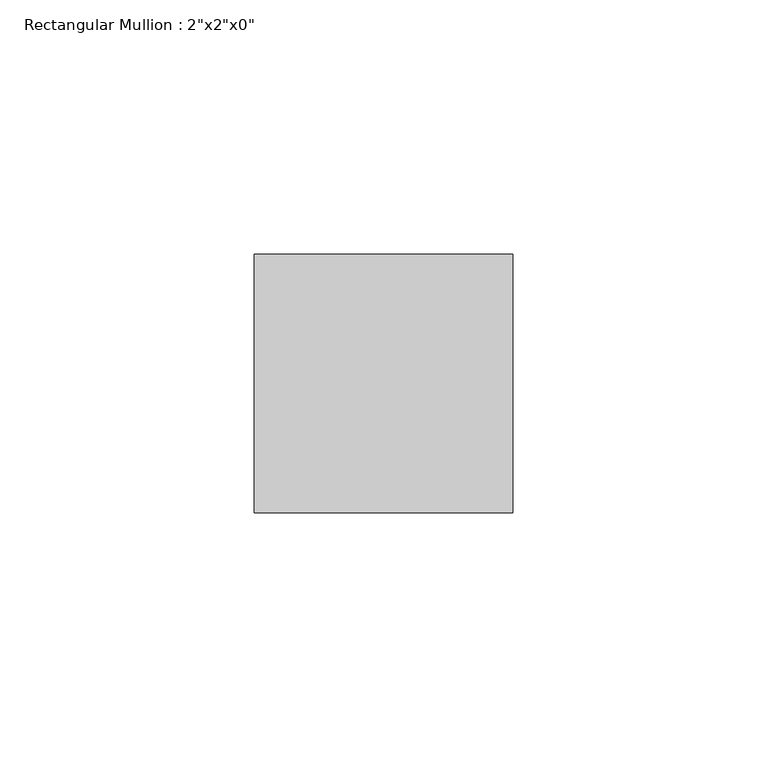
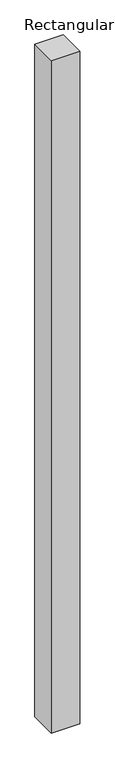
"""IFC4 building model written with IfcOpenShell, lengths in millimetres: member geometry."""

import ifcopenshell
import ifcopenshell.guid

model = None  # the IFC model being written
_history = None  # IfcOwnerHistory: only IFC2X3 demands one
_inside = {}  # id of a spatial element -> (the spatial element, [elements in it])
_under = {}  # id of a project, library or spatial element -> (it, [spatial elements below it])
_declared = {}  # id of a project -> (the project, [libraries it declares])
_typed = {}  # id of a type object -> (the type object, [elements of that type])
_made_of = {}  # id of a material, layer set ... -> (it, [elements and type objects made of it])


def new_model(schema):
    """Start an empty IFC model of exactly this schema.

    Asked for "IFC4X3", IfcOpenShell would pick the latest addendum, in which some entities
    have other attributes; the version numbers below select the first issue.
    IFC2X3 requires an IfcOwnerHistory on every rooted entity: one is made here for all.
    """
    global model, _history
    if schema == "IFC4X3":
        model = ifcopenshell.file(schema_version=(4, 3, 0, 0))
    else:
        model = ifcopenshell.file(schema=schema)
    _inside.clear()
    _under.clear()
    _declared.clear()
    _typed.clear()
    _made_of.clear()
    _history = None
    if model.schema == "IFC2X3":
        org = make("IfcOrganization", Name="unknown")
        user = make(
            "IfcPersonAndOrganization",
            ThePerson=make("IfcPerson", FamilyName="unknown"),
            TheOrganization=org,
        )
        app = make(
            "IfcApplication",
            ApplicationDeveloper=org,
            Version="unknown",
            ApplicationFullName="unknown",
            ApplicationIdentifier="unknown",
        )
        _history = make(
            "IfcOwnerHistory",
            OwningUser=user,
            OwningApplication=app,
            ChangeAction="ADDED",
            CreationDate=0,
        )
    return model


def make(cls, **values):
    """One entity of the class cls with the attributes given. An attribute that is None is left unset."""
    return model.create_entity(
        cls, **{name: value for name, value in values.items() if value is not None}
    )


def rooted(cls, **values):
    """An entity with a GlobalId (a new one), such as an element, a storey or a relation."""
    return make(cls, GlobalId=ifcopenshell.guid.new(), OwnerHistory=_history, **values)


def si_unit(unit_type, name, prefix=None):
    """IfcSIUnit, for example si_unit("LENGTHUNIT", "METRE", prefix="MILLI")."""
    return make("IfcSIUnit", UnitType=unit_type, Prefix=prefix, Name=name)


def assignment(units):
    """IfcUnitAssignment: the units of a project."""
    return None if units is None else make("IfcUnitAssignment", Units=units)


def point(xyz):
    """IfcCartesianPoint."""
    return None if xyz is None else make("IfcCartesianPoint", Coordinates=xyz)


def direction(xyz):
    """IfcDirection."""
    return None if xyz is None else make("IfcDirection", DirectionRatios=xyz)


def frame(location, z_axis=None, x_axis=None):
    """IfcAxis2Placement3D, a coordinate frame: its origin and axes. An axis left out is left unset."""
    return make(
        "IfcAxis2Placement3D",
        Location=point(location),
        Axis=direction(z_axis),
        RefDirection=direction(x_axis),
    )


def origin():
    """The frame at (0, 0, 0) with its axes left unset."""
    return frame((0.0, 0.0, 0.0))


def place(relative_to, where):
    """IfcLocalPlacement: puts the frame where relative to a parent placement (None: the world)."""
    return make(
        "IfcLocalPlacement", PlacementRelTo=relative_to, RelativePlacement=where
    )


def context(
    kind, dimensions, precision=None, world=None, true_north=None, identifier=None
):
    """IfcGeometricRepresentationContext, for example the 3D "Model" context."""
    return make(
        "IfcGeometricRepresentationContext",
        ContextIdentifier=identifier,
        ContextType=kind,
        CoordinateSpaceDimension=dimensions,
        Precision=precision,
        WorldCoordinateSystem=world,
        TrueNorth=true_north,
    )


def project(units=None, contexts=None):
    """IfcProject with its units and contexts."""
    return rooted(
        "IfcProject",
        Name="project",
        RepresentationContexts=contexts,
        UnitsInContext=assignment(units),
    )


def spatial(cls, under=None, at=None, **own):
    """A site, building, storey or space (cls), placed at a placement, below another one or the project."""
    s = rooted(cls, ObjectPlacement=at, **own)
    if under is not None:
        _under.setdefault(under.id(), (under, []))[1].append(s)
    return s


def polyline(points):
    """IfcPolyline through the points."""
    return make("IfcPolyline", Points=[point(p) for p in points])


def outline(outer, holes=None, kind="AREA"):
    """IfcArbitraryClosedProfileDef: a profile drawn as a closed curve; with holes, ...WithVoids."""
    if holes is None:
        return make("IfcArbitraryClosedProfileDef", ProfileType=kind, OuterCurve=outer)
    return make(
        "IfcArbitraryProfileDefWithVoids",
        ProfileType=kind,
        OuterCurve=outer,
        InnerCurves=holes,
    )


def extrude(swept, where, along, depth):
    """IfcExtrudedAreaSolid: the profile swept, set in the frame where, extruded along a direction by depth."""
    return make(
        "IfcExtrudedAreaSolid",
        SweptArea=swept,
        Position=where,
        ExtrudedDirection=direction(along),
        Depth=depth,
    )


def shape(context_of_items, identifier, shape_type, items):
    """IfcShapeRepresentation: the items that make up one representation, for example the "Body"."""
    return make(
        "IfcShapeRepresentation",
        ContextOfItems=context_of_items,
        RepresentationIdentifier=identifier,
        RepresentationType=shape_type,
        Items=items,
    )


def source(mapping_origin, context_of_items, identifier, shape_type, items):
    """IfcRepresentationMap: a shape defined once, which mapped items show again and again."""
    return make(
        "IfcRepresentationMap",
        MappingOrigin=mapping_origin,
        MappedRepresentation=shape(context_of_items, identifier, shape_type, items),
    )


def transform(
    local_origin,
    x_axis=None,
    y_axis=None,
    z_axis=None,
    scale=None,
    scale2=None,
    scale3=None,
    uniform=True,
):
    """IfcCartesianTransformationOperator3D, or its non-uniform kind. x_axis, y_axis, z_axis: its Axis1, 2, 3."""
    if uniform:
        return make(
            "IfcCartesianTransformationOperator3D",
            Axis1=direction(x_axis),
            Axis2=direction(y_axis),
            LocalOrigin=point(local_origin),
            Scale=scale,
            Axis3=direction(z_axis),
        )
    return make(
        "IfcCartesianTransformationOperator3DnonUniform",
        Axis1=direction(x_axis),
        Axis2=direction(y_axis),
        LocalOrigin=point(local_origin),
        Scale=scale,
        Axis3=direction(z_axis),
        Scale2=scale2,
        Scale3=scale3,
    )


def mapped(mapping_source, mapping_target):
    """IfcMappedItem: shows the shape of a source again, moved by a transform."""
    return make(
        "IfcMappedItem", MappingSource=mapping_source, MappingTarget=mapping_target
    )


def made_of(thing, what):
    """Note that an element or type object is made of a material, layer set ...; save() writes the relation."""
    if what is not None:
        _made_of.setdefault(what.id(), (what, []))[1].append(thing)
    return thing


def element(
    cls,
    number,
    at=None,
    inside=None,
    cuts=None,
    type_object=None,
    material=None,
    context=None,
    identifier="Body",
    shape_type=None,
    held_by="IfcProductDefinitionShape",
    body=None,
    shapes=None,
    **own,
):
    """One element of the class cls, such as IfcWall. Its Tag is "e" and its number.

    at: its placement. inside: the storey or other place that contains it. cuts: it is an
    opening in that element (IfcRelVoidsElement). A single representation is given by context,
    identifier, shape_type and body (its items); several are given by shapes. held_by: the class
    of the entity that holds the representations. save() writes the other relations.
    """
    e = rooted(cls, Tag="e%d" % number, ObjectPlacement=at, **own)
    if body is not None:
        shapes = [shape(context, identifier, shape_type, body)]
    if shapes is not None:
        e.Representation = make(held_by, Representations=shapes)
    if inside is not None:
        _inside.setdefault(inside.id(), (inside, []))[1].append(e)
    if cuts is not None:
        rooted(
            "IfcRelVoidsElement", RelatingBuildingElement=cuts, RelatedOpeningElement=e
        )
    if type_object is not None:
        _typed.setdefault(type_object.id(), (type_object, []))[1].append(e)
    return made_of(e, material)


def aggregate(whole, parts):
    """IfcRelAggregates: a whole, such as a stair, and the parts it consists of."""
    return rooted("IfcRelAggregates", RelatingObject=whole, RelatedObjects=parts)


def save(model, path):
    """Write the relations noted so far, then the file.

    IfcRelAggregates (storeys below a building ...), IfcRelContainedInSpatialStructure (elements
    in a storey), IfcRelDefinesByType, IfcRelAssociatesMaterial and IfcRelDeclares: one each for
    every whole, place, type object, material and project.
    """
    for whole, parts in _under.values():
        aggregate(whole, parts)
    for where, things in _inside.values():
        rooted(
            "IfcRelContainedInSpatialStructure",
            RelatedElements=things,
            RelatingStructure=where,
        )
    for kind, things in _typed.values():
        rooted("IfcRelDefinesByType", RelatedObjects=things, RelatingType=kind)
    for what, things in _made_of.values():
        rooted("IfcRelAssociatesMaterial", RelatedObjects=things, RelatingMaterial=what)
    for by, libraries in _declared.values():
        rooted("IfcRelDeclares", RelatingContext=by, RelatedDefinitions=libraries)
    model.write(path)


def member_94bebfca(model_context):
    return source(origin(), model_context, "Body", "SweptSolid", [
        extrude(outline(polyline([(25.4, 25.4), (25.4, -25.4), (-25.4, -25.4), (-25.4, 25.4), (25.4, 25.4)])), frame((0.0, 0.0, -1272.115036), z_axis=(0.0, 0.0, 1.0), x_axis=(1.0, 0.0, 0.0)), (0.0, 0.0, 1.0), 1272.115036),
    ])


if __name__ == "__main__":
    model = new_model("IFC4")
    model_context = context("Model", 3, world=origin())
    ifc_project = project(units=[si_unit("LENGTHUNIT", "METRE", prefix="MILLI")], contexts=[model_context])
    site = spatial("IfcSite", under=ifc_project)
    building = spatial("IfcBuilding", under=site)
    placement = place(None, origin())
    member_shape = member_94bebfca(model_context)
    element("IfcMember", 1, ObjectType="Rectangular Mullion : 2\"x2\"x0\"", at=placement, inside=building, context=model_context, shape_type="MappedRepresentation", body=[
        mapped(member_shape, transform((0.0, 0.0, 0.0), x_axis=(1.0, 0.0, 0.0), y_axis=(0.0, 1.0, 0.0), z_axis=(0.0, 0.0, 1.0))),
    ])
    save(model, "model.ifc")
